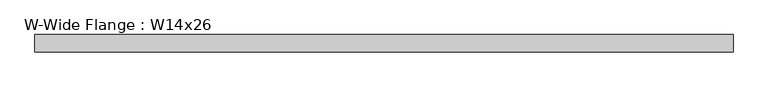
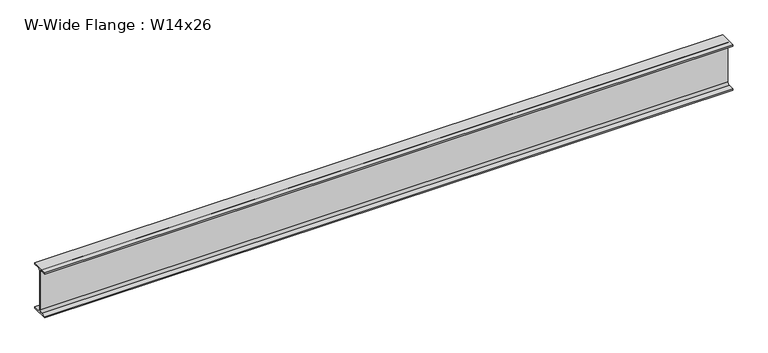
"""IFC4 building model written with IfcOpenShell, lengths in millimetres: beam geometry, W-Wide Flange : W14x26."""

from ifc_helpers import new_model, si_unit, point, frame, frame_2d, origin, place, context, project, spatial, polyline, circle_curve, trimmed, segment, composite_curve, outline, extrude, source, transform, mapped, element, save


def w_wide_flange_w14x26_7dba49c5(model_context):
    return source(origin(), model_context, "Body", "SweptSolid", [
        extrude(outline(composite_curve([segment(polyline([(63.881, -165.862), (63.881, -176.53), (-63.881, -176.53), (-63.881, -165.862), (-21.1455, -165.862)]), True, "CONTINUOUS"), segment(trimmed(circle_curve(frame_2d((-21.1455, -147.955)), 17.907), [point((-21.1455, -165.862))], [point((-3.2385, -147.955))], True, "CARTESIAN"), True, "CONTINUOUS"), segment(polyline([(-3.2385, -147.955), (-3.2385, 147.955)]), True, "CONTINUOUS"), segment(trimmed(circle_curve(frame_2d((-21.1455, 147.955)), 17.907), [point((-3.2385, 147.955))], [point((-21.1455, 165.862))], True, "CARTESIAN"), True, "CONTINUOUS"), segment(polyline([(-21.1455, 165.862), (-63.881, 165.862), (-63.881, 176.53), (63.881, 176.53), (63.881, 165.862), (21.1455, 165.862)]), True, "CONTINUOUS"), segment(trimmed(circle_curve(frame_2d((21.1455, 147.955)), 17.907), [point((21.1455, 165.862))], [point((3.2385, 147.955))], True, "CARTESIAN"), True, "CONTINUOUS"), segment(polyline([(3.2385, 147.955), (3.2385, -147.955)]), True, "CONTINUOUS"), segment(trimmed(circle_curve(frame_2d((21.1455, -147.955)), 17.907), [point((3.2385, -147.955))], [point((21.1455, -165.862))], True, "CARTESIAN"), True, "CONTINUOUS"), segment(polyline([(21.1455, -165.862), (63.881, -165.862)]), True, "CONTINUOUS")], self_intersect=False)), frame((-2539.20625, 0.0, 0.0), z_axis=(1.0, 0.0, 0.0), x_axis=(0.0, 1.0, 0.0)), (0.0, 0.0, 1.0), 5078.4125),
    ])


if __name__ == "__main__":
    model = new_model("IFC4")
    model_context = context("Model", 3, world=origin())
    ifc_project = project(units=[si_unit("LENGTHUNIT", "METRE", prefix="MILLI")], contexts=[model_context])
    site = spatial("IfcSite", under=ifc_project)
    building = spatial("IfcBuilding", under=site)
    placement = place(None, origin())
    w_wide_flange_w14x26_shape = w_wide_flange_w14x26_7dba49c5(model_context)
    element("IfcBeam", 1, ObjectType="W-Wide Flange : W14x26", at=placement, inside=building, context=model_context, shape_type="MappedRepresentation", body=[
        mapped(w_wide_flange_w14x26_shape, transform((0.0, 0.0, 0.0), x_axis=(1.0, 0.0, 0.0), y_axis=(0.0, 1.0, 0.0), z_axis=(0.0, 0.0, 1.0))),
    ])
    save(model, "model.ifc")
